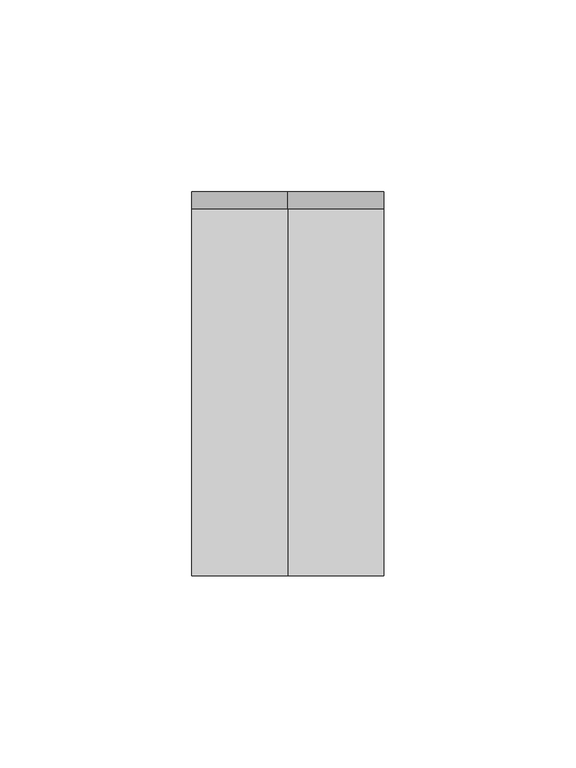
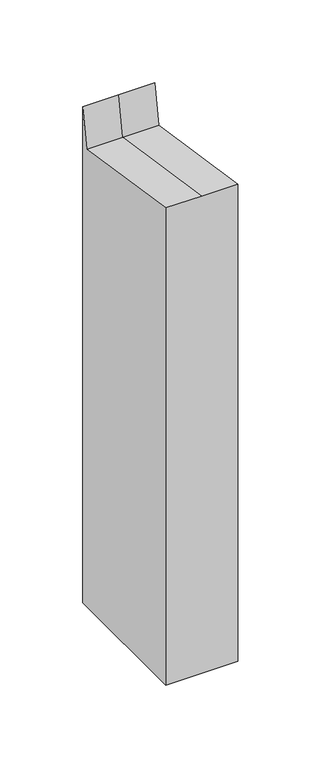
"""IFC4 building model written with IfcOpenShell, lengths in millimetres: member geometry."""

from ifc_helpers import new_model, si_unit, origin, place, context, project, spatial, faceted_brep, source, transform, mapped, element, save


def member_e7b1a856(model_context):
    return source(origin(), model_context, "Body", "Brep", [
        faceted_brep([(25.0, 50.0, -343.4728289), (25.0, -50.0, -343.4728289), (-25.0, -50.0, -343.4728289), (-25.0, 50.0, -343.4728289), (-25.0, 50.0, 21.1684472), (0.0, 50.0, 21.1684472), (25.0, 50.0, 21.1684472), (-25.0, -50.0, 7.4130212), (-25.0, 45.6070124, -7.3264663), (25.0, -50.0, 7.4130212), (0.0, -50.0, 7.4130212), (25.0, 45.6070124, -7.3264663), (0.0, 45.6070124, -7.3264663)], [[[0, 1, 2, 3]], [[4, 5, 6, 0, 3]], [[7, 8, 4, 3, 2]], [[9, 10, 7, 2, 1]], [[6, 11, 9, 1, 0]], [[6, 5, 12, 11]], [[5, 4, 8, 12]], [[8, 7, 10, 12]], [[10, 9, 11, 12]]]),
    ])


if __name__ == "__main__":
    model = new_model("IFC4")
    model_context = context("Model", 3, world=origin())
    ifc_project = project(units=[si_unit("LENGTHUNIT", "METRE", prefix="MILLI")], contexts=[model_context])
    site = spatial("IfcSite", under=ifc_project)
    building = spatial("IfcBuilding", under=site)
    placement = place(None, origin())
    member_shape = member_e7b1a856(model_context)
    element("IfcMember", 1, at=placement, inside=building, context=model_context, shape_type="MappedRepresentation", body=[
        mapped(member_shape, transform((0.0, 0.0, 0.0), x_axis=(1.0, 0.0, 0.0), y_axis=(0.0, 1.0, 0.0), z_axis=(0.0, 0.0, 1.0))),
    ])
    save(model, "model.ifc")
